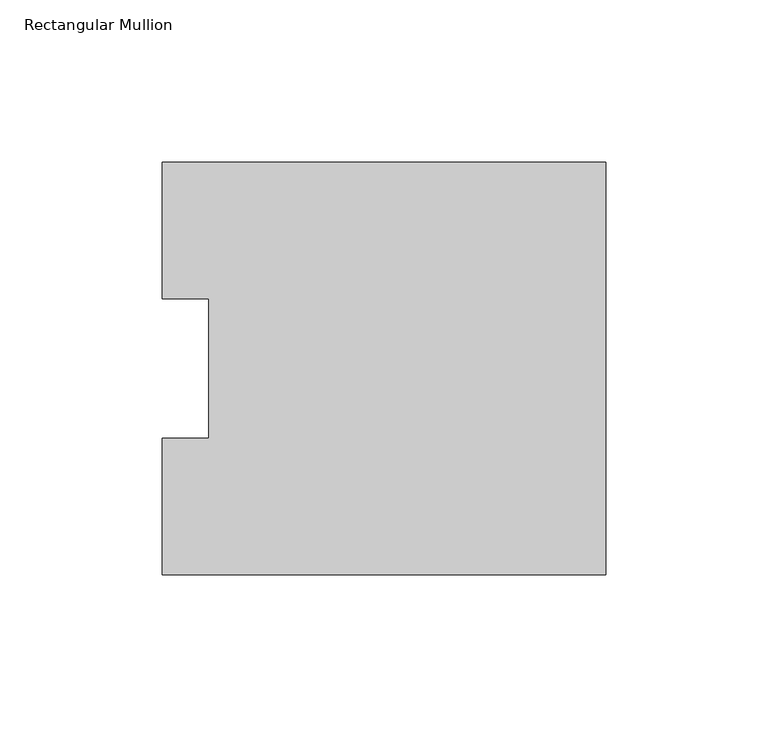
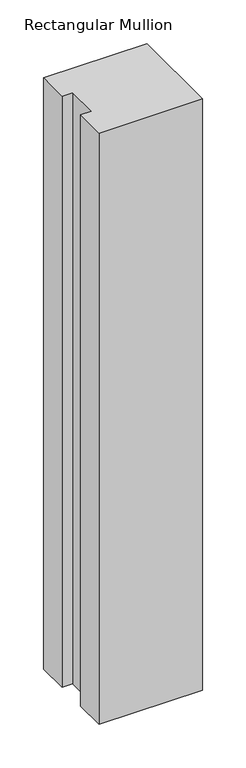
"""IFC4 building model written with IfcOpenShell, lengths in millimetres: member geometry, Rectangular Mullion."""

from ifc_helpers import new_model, si_unit, frame, origin, place, context, project, spatial, polyline, outline, extrude, source, transform, mapped, element, save


def rectangular_mullion_d87c3fd6(model_context):
    return source(origin(), model_context, "Body", "SweptSolid", [
        extrude(outline(polyline([(0.0, 126.7086937), (0.0, -0.2913063), (-136.525, -0.2913063), (-136.525, 41.7837937), (-122.2375, 41.7837937), (-122.2375, 84.6335938), (-136.525, 84.6335938), (-136.525, 126.7086937), (0.0, 126.7086937)])), frame((0.0, 0.0, -825.5176747), z_axis=(0.0, 0.0, 1.0), x_axis=(1.0, 0.0, 0.0)), (0.0, 0.0, 1.0), 825.5176747),
    ])


if __name__ == "__main__":
    model = new_model("IFC4")
    model_context = context("Model", 3, world=origin())
    ifc_project = project(units=[si_unit("LENGTHUNIT", "METRE", prefix="MILLI")], contexts=[model_context])
    site = spatial("IfcSite", under=ifc_project)
    building = spatial("IfcBuilding", under=site)
    placement = place(None, origin())
    rectangular_mullion_shape = rectangular_mullion_d87c3fd6(model_context)
    element("IfcMember", 1, ObjectType="Rectangular Mullion", at=placement, inside=building, context=model_context, shape_type="MappedRepresentation", body=[
        mapped(rectangular_mullion_shape, transform((0.0, 0.0, 0.0), x_axis=(1.0, 0.0, 0.0), y_axis=(0.0, 1.0, 0.0), z_axis=(0.0, 0.0, 1.0))),
    ])
    save(model, "model.ifc")
